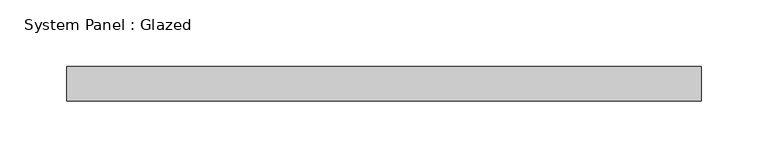
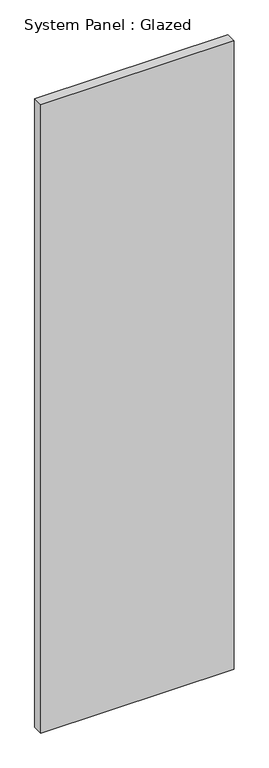
"""IFC4 building model written with IfcOpenShell, lengths in millimetres: plate geometry, System Panel : Glazed."""

import ifcopenshell
import ifcopenshell.guid

model = None  # the IFC model being written
_history = None  # IfcOwnerHistory: only IFC2X3 demands one
_inside = {}  # id of a spatial element -> (the spatial element, [elements in it])
_under = {}  # id of a project, library or spatial element -> (it, [spatial elements below it])
_declared = {}  # id of a project -> (the project, [libraries it declares])
_typed = {}  # id of a type object -> (the type object, [elements of that type])
_made_of = {}  # id of a material, layer set ... -> (it, [elements and type objects made of it])


def new_model(schema):
    """Start an empty IFC model of exactly this schema.

    Asked for "IFC4X3", IfcOpenShell would pick the latest addendum, in which some entities
    have other attributes; the version numbers below select the first issue.
    IFC2X3 requires an IfcOwnerHistory on every rooted entity: one is made here for all.
    """
    global model, _history
    if schema == "IFC4X3":
        model = ifcopenshell.file(schema_version=(4, 3, 0, 0))
    else:
        model = ifcopenshell.file(schema=schema)
    _inside.clear()
    _under.clear()
    _declared.clear()
    _typed.clear()
    _made_of.clear()
    _history = None
    if model.schema == "IFC2X3":
        org = make("IfcOrganization", Name="unknown")
        user = make(
            "IfcPersonAndOrganization",
            ThePerson=make("IfcPerson", FamilyName="unknown"),
            TheOrganization=org,
        )
        app = make(
            "IfcApplication",
            ApplicationDeveloper=org,
            Version="unknown",
            ApplicationFullName="unknown",
            ApplicationIdentifier="unknown",
        )
        _history = make(
            "IfcOwnerHistory",
            OwningUser=user,
            OwningApplication=app,
            ChangeAction="ADDED",
            CreationDate=0,
        )
    return model


def make(cls, **values):
    """One entity of the class cls with the attributes given. An attribute that is None is left unset."""
    return model.create_entity(
        cls, **{name: value for name, value in values.items() if value is not None}
    )


def rooted(cls, **values):
    """An entity with a GlobalId (a new one), such as an element, a storey or a relation."""
    return make(cls, GlobalId=ifcopenshell.guid.new(), OwnerHistory=_history, **values)


def si_unit(unit_type, name, prefix=None):
    """IfcSIUnit, for example si_unit("LENGTHUNIT", "METRE", prefix="MILLI")."""
    return make("IfcSIUnit", UnitType=unit_type, Prefix=prefix, Name=name)


def assignment(units):
    """IfcUnitAssignment: the units of a project."""
    return None if units is None else make("IfcUnitAssignment", Units=units)


def point(xyz):
    """IfcCartesianPoint."""
    return None if xyz is None else make("IfcCartesianPoint", Coordinates=xyz)


def direction(xyz):
    """IfcDirection."""
    return None if xyz is None else make("IfcDirection", DirectionRatios=xyz)


def frame(location, z_axis=None, x_axis=None):
    """IfcAxis2Placement3D, a coordinate frame: its origin and axes. An axis left out is left unset."""
    return make(
        "IfcAxis2Placement3D",
        Location=point(location),
        Axis=direction(z_axis),
        RefDirection=direction(x_axis),
    )


def origin():
    """The frame at (0, 0, 0) with its axes left unset."""
    return frame((0.0, 0.0, 0.0))


def origin_with_axes():
    """The frame at (0, 0, 0) with the z axis (0, 0, 1) and the x axis (1, 0, 0) written out."""
    return frame((0.0, 0.0, 0.0), z_axis=(0.0, 0.0, 1.0), x_axis=(1.0, 0.0, 0.0))


def place(relative_to, where):
    """IfcLocalPlacement: puts the frame where relative to a parent placement (None: the world)."""
    return make(
        "IfcLocalPlacement", PlacementRelTo=relative_to, RelativePlacement=where
    )


def context(
    kind, dimensions, precision=None, world=None, true_north=None, identifier=None
):
    """IfcGeometricRepresentationContext, for example the 3D "Model" context."""
    return make(
        "IfcGeometricRepresentationContext",
        ContextIdentifier=identifier,
        ContextType=kind,
        CoordinateSpaceDimension=dimensions,
        Precision=precision,
        WorldCoordinateSystem=world,
        TrueNorth=true_north,
    )


def project(units=None, contexts=None):
    """IfcProject with its units and contexts."""
    return rooted(
        "IfcProject",
        Name="project",
        RepresentationContexts=contexts,
        UnitsInContext=assignment(units),
    )


def spatial(cls, under=None, at=None, **own):
    """A site, building, storey or space (cls), placed at a placement, below another one or the project."""
    s = rooted(cls, ObjectPlacement=at, **own)
    if under is not None:
        _under.setdefault(under.id(), (under, []))[1].append(s)
    return s


def polyline(points):
    """IfcPolyline through the points."""
    return make("IfcPolyline", Points=[point(p) for p in points])


def outline(outer, holes=None, kind="AREA"):
    """IfcArbitraryClosedProfileDef: a profile drawn as a closed curve; with holes, ...WithVoids."""
    if holes is None:
        return make("IfcArbitraryClosedProfileDef", ProfileType=kind, OuterCurve=outer)
    return make(
        "IfcArbitraryProfileDefWithVoids",
        ProfileType=kind,
        OuterCurve=outer,
        InnerCurves=holes,
    )


def extrude(swept, where, along, depth):
    """IfcExtrudedAreaSolid: the profile swept, set in the frame where, extruded along a direction by depth."""
    return make(
        "IfcExtrudedAreaSolid",
        SweptArea=swept,
        Position=where,
        ExtrudedDirection=direction(along),
        Depth=depth,
    )


def shape(context_of_items, identifier, shape_type, items):
    """IfcShapeRepresentation: the items that make up one representation, for example the "Body"."""
    return make(
        "IfcShapeRepresentation",
        ContextOfItems=context_of_items,
        RepresentationIdentifier=identifier,
        RepresentationType=shape_type,
        Items=items,
    )


def source(mapping_origin, context_of_items, identifier, shape_type, items):
    """IfcRepresentationMap: a shape defined once, which mapped items show again and again."""
    return make(
        "IfcRepresentationMap",
        MappingOrigin=mapping_origin,
        MappedRepresentation=shape(context_of_items, identifier, shape_type, items),
    )


def transform(
    local_origin,
    x_axis=None,
    y_axis=None,
    z_axis=None,
    scale=None,
    scale2=None,
    scale3=None,
    uniform=True,
):
    """IfcCartesianTransformationOperator3D, or its non-uniform kind. x_axis, y_axis, z_axis: its Axis1, 2, 3."""
    if uniform:
        return make(
            "IfcCartesianTransformationOperator3D",
            Axis1=direction(x_axis),
            Axis2=direction(y_axis),
            LocalOrigin=point(local_origin),
            Scale=scale,
            Axis3=direction(z_axis),
        )
    return make(
        "IfcCartesianTransformationOperator3DnonUniform",
        Axis1=direction(x_axis),
        Axis2=direction(y_axis),
        LocalOrigin=point(local_origin),
        Scale=scale,
        Axis3=direction(z_axis),
        Scale2=scale2,
        Scale3=scale3,
    )


def mapped(mapping_source, mapping_target):
    """IfcMappedItem: shows the shape of a source again, moved by a transform."""
    return make(
        "IfcMappedItem", MappingSource=mapping_source, MappingTarget=mapping_target
    )


def made_of(thing, what):
    """Note that an element or type object is made of a material, layer set ...; save() writes the relation."""
    if what is not None:
        _made_of.setdefault(what.id(), (what, []))[1].append(thing)
    return thing


def element(
    cls,
    number,
    at=None,
    inside=None,
    cuts=None,
    type_object=None,
    material=None,
    context=None,
    identifier="Body",
    shape_type=None,
    held_by="IfcProductDefinitionShape",
    body=None,
    shapes=None,
    **own,
):
    """One element of the class cls, such as IfcWall. Its Tag is "e" and its number.

    at: its placement. inside: the storey or other place that contains it. cuts: it is an
    opening in that element (IfcRelVoidsElement). A single representation is given by context,
    identifier, shape_type and body (its items); several are given by shapes. held_by: the class
    of the entity that holds the representations. save() writes the other relations.
    """
    e = rooted(cls, Tag="e%d" % number, ObjectPlacement=at, **own)
    if body is not None:
        shapes = [shape(context, identifier, shape_type, body)]
    if shapes is not None:
        e.Representation = make(held_by, Representations=shapes)
    if inside is not None:
        _inside.setdefault(inside.id(), (inside, []))[1].append(e)
    if cuts is not None:
        rooted(
            "IfcRelVoidsElement", RelatingBuildingElement=cuts, RelatedOpeningElement=e
        )
    if type_object is not None:
        _typed.setdefault(type_object.id(), (type_object, []))[1].append(e)
    return made_of(e, material)


def aggregate(whole, parts):
    """IfcRelAggregates: a whole, such as a stair, and the parts it consists of."""
    return rooted("IfcRelAggregates", RelatingObject=whole, RelatedObjects=parts)


def save(model, path):
    """Write the relations noted so far, then the file.

    IfcRelAggregates (storeys below a building ...), IfcRelContainedInSpatialStructure (elements
    in a storey), IfcRelDefinesByType, IfcRelAssociatesMaterial and IfcRelDeclares: one each for
    every whole, place, type object, material and project.
    """
    for whole, parts in _under.values():
        aggregate(whole, parts)
    for where, things in _inside.values():
        rooted(
            "IfcRelContainedInSpatialStructure",
            RelatedElements=things,
            RelatingStructure=where,
        )
    for kind, things in _typed.values():
        rooted("IfcRelDefinesByType", RelatedObjects=things, RelatingType=kind)
    for what, things in _made_of.values():
        rooted("IfcRelAssociatesMaterial", RelatedObjects=things, RelatingMaterial=what)
    for by, libraries in _declared.values():
        rooted("IfcRelDeclares", RelatingContext=by, RelatedDefinitions=libraries)
    model.write(path)


def system_panel_glazed_0339bd4c(model_context):
    return source(origin(), model_context, "Body", "SweptSolid", [
        extrude(outline(polyline([(236.609531, -12.7), (-236.609531, -12.7), (-236.609531, 12.7), (236.609531, 12.7), (236.609531, -12.7)])), origin_with_axes(), (0.0, 0.0, 1.0), 1625.6),
    ])


if __name__ == "__main__":
    model = new_model("IFC4")
    model_context = context("Model", 3, world=origin())
    ifc_project = project(units=[si_unit("LENGTHUNIT", "METRE", prefix="MILLI")], contexts=[model_context])
    site = spatial("IfcSite", under=ifc_project)
    building = spatial("IfcBuilding", under=site)
    placement = place(None, origin())
    system_panel_glazed_shape = system_panel_glazed_0339bd4c(model_context)
    element("IfcPlate", 1, ObjectType="System Panel : Glazed", at=placement, inside=building, context=model_context, shape_type="MappedRepresentation", body=[
        mapped(system_panel_glazed_shape, transform((0.0, 0.0, 0.0), x_axis=(1.0, 0.0, 0.0), y_axis=(0.0, 1.0, 0.0), z_axis=(0.0, 0.0, 1.0))),
    ])
    save(model, "model.ifc")
